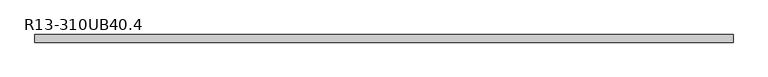
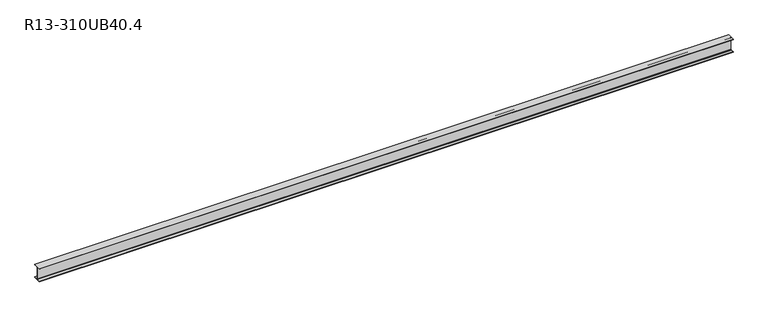
"""IFC4 building model written with IfcOpenShell, lengths in millimetres: beam geometry, R13-310UB40.4."""

from ifc_helpers import new_model, si_unit, point, frame, frame_2d, origin, place, context, project, spatial, polyline, circle_curve, trimmed, segment, composite_curve, outline, extrude, source, transform, mapped, element, save


def r13_310ub40_4_947d462a(model_context):
    return source(origin(), model_context, "Body", "SweptSolid", [
        extrude(outline(composite_curve([segment(polyline([(82.5, -141.8), (82.5, -152.0), (-82.5, -152.0), (-82.5, -141.8), (-14.45, -141.8)]), True, "CONTINUOUS"), segment(trimmed(circle_curve(frame_2d((-14.45, -130.4)), 11.4), [point((-14.45, -141.8))], [point((-3.05, -130.4))], True, "CARTESIAN"), True, "CONTINUOUS"), segment(polyline([(-3.05, -130.4), (-3.05, 130.4)]), True, "CONTINUOUS"), segment(trimmed(circle_curve(frame_2d((-14.45, 130.4)), 11.4), [point((-3.05, 130.4))], [point((-14.45, 141.8))], True, "CARTESIAN"), True, "CONTINUOUS"), segment(polyline([(-14.45, 141.8), (-82.5, 141.8), (-82.5, 152.0), (82.5, 152.0), (82.5, 141.8), (14.45, 141.8)]), True, "CONTINUOUS"), segment(trimmed(circle_curve(frame_2d((14.45, 130.4)), 11.4), [point((14.45, 141.8))], [point((3.05, 130.4))], True, "CARTESIAN"), True, "CONTINUOUS"), segment(polyline([(3.05, 130.4), (3.05, -130.4)]), True, "CONTINUOUS"), segment(trimmed(circle_curve(frame_2d((14.45, -130.4)), 11.4), [point((3.05, -130.4))], [point((14.45, -141.8))], True, "CARTESIAN"), True, "CONTINUOUS"), segment(polyline([(14.45, -141.8), (82.5, -141.8)]), True, "CONTINUOUS")], self_intersect=False)), frame((-7562.0, 0.0, 0.0), z_axis=(1.0, 0.0, 0.0), x_axis=(0.0, 1.0, 0.0)), (0.0, 0.0, 1.0), 15149.0),
    ])


if __name__ == "__main__":
    model = new_model("IFC4")
    model_context = context("Model", 3, world=origin())
    ifc_project = project(units=[si_unit("LENGTHUNIT", "METRE", prefix="MILLI")], contexts=[model_context])
    site = spatial("IfcSite", under=ifc_project)
    building = spatial("IfcBuilding", under=site)
    placement = place(None, origin())
    r13_310ub40_4_shape = r13_310ub40_4_947d462a(model_context)
    element("IfcBeam", 1, ObjectType="R13-310UB40.4", at=placement, inside=building, context=model_context, shape_type="MappedRepresentation", body=[
        mapped(r13_310ub40_4_shape, transform((0.0, 0.0, 0.0), x_axis=(1.0, 0.0, 0.0), y_axis=(0.0, 1.0, 0.0), z_axis=(0.0, 0.0, 1.0))),
    ])
    save(model, "model.ifc")
